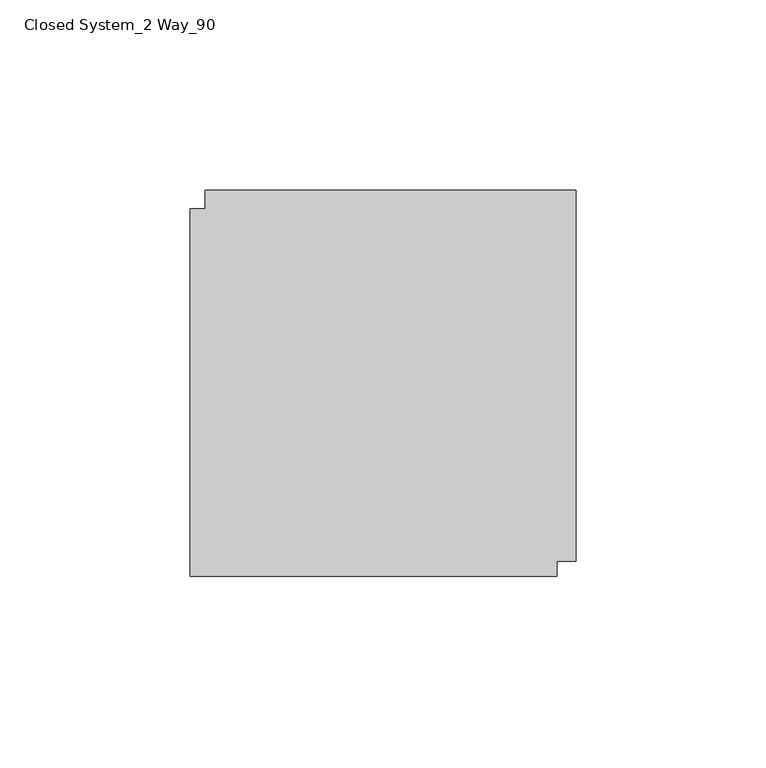
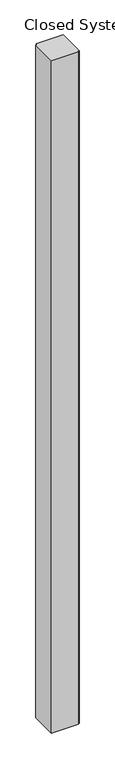
"""IFC4 building model written with IfcOpenShell, lengths in millimetres: furniture geometry, Closed System_2 Way_90."""

from ifc_helpers import new_model, si_unit, origin, origin_with_axes, place, context, project, spatial, polyline, outline, extrude, source, transform, mapped, element, save


def closed_system_2_way_90_75cfce9f(model_context):
    return source(origin(), model_context, "Body", "SweptSolid", [
        extrude(outline(polyline([(29.9771531, 22.2450295), (33.9141531, 22.2450295), (33.9141531, 27.1980295), (131.5771531, 27.1980295), (131.5771531, -70.4649705), (126.6241531, -70.4649705), (126.6241531, -74.4019705), (29.9771531, -74.4019705), (29.9771531, 22.2450295)])), origin_with_axes(), (0.0, 0.0, 1.0), 2540.0),
    ])


if __name__ == "__main__":
    model = new_model("IFC4")
    model_context = context("Model", 3, world=origin())
    ifc_project = project(units=[si_unit("LENGTHUNIT", "METRE", prefix="MILLI")], contexts=[model_context])
    site = spatial("IfcSite", under=ifc_project)
    building = spatial("IfcBuilding", under=site)
    placement = place(None, origin())
    closed_system_2_way_90_shape = closed_system_2_way_90_75cfce9f(model_context)
    element("IfcFurniture", 1, ObjectType="Closed System_2 Way_90", at=placement, inside=building, context=model_context, shape_type="MappedRepresentation", body=[
        mapped(closed_system_2_way_90_shape, transform((0.0, 0.0, 0.0), x_axis=(1.0, 0.0, 0.0), y_axis=(0.0, 1.0, 0.0), z_axis=(0.0, 0.0, 1.0))),
    ])
    save(model, "model.ifc")
